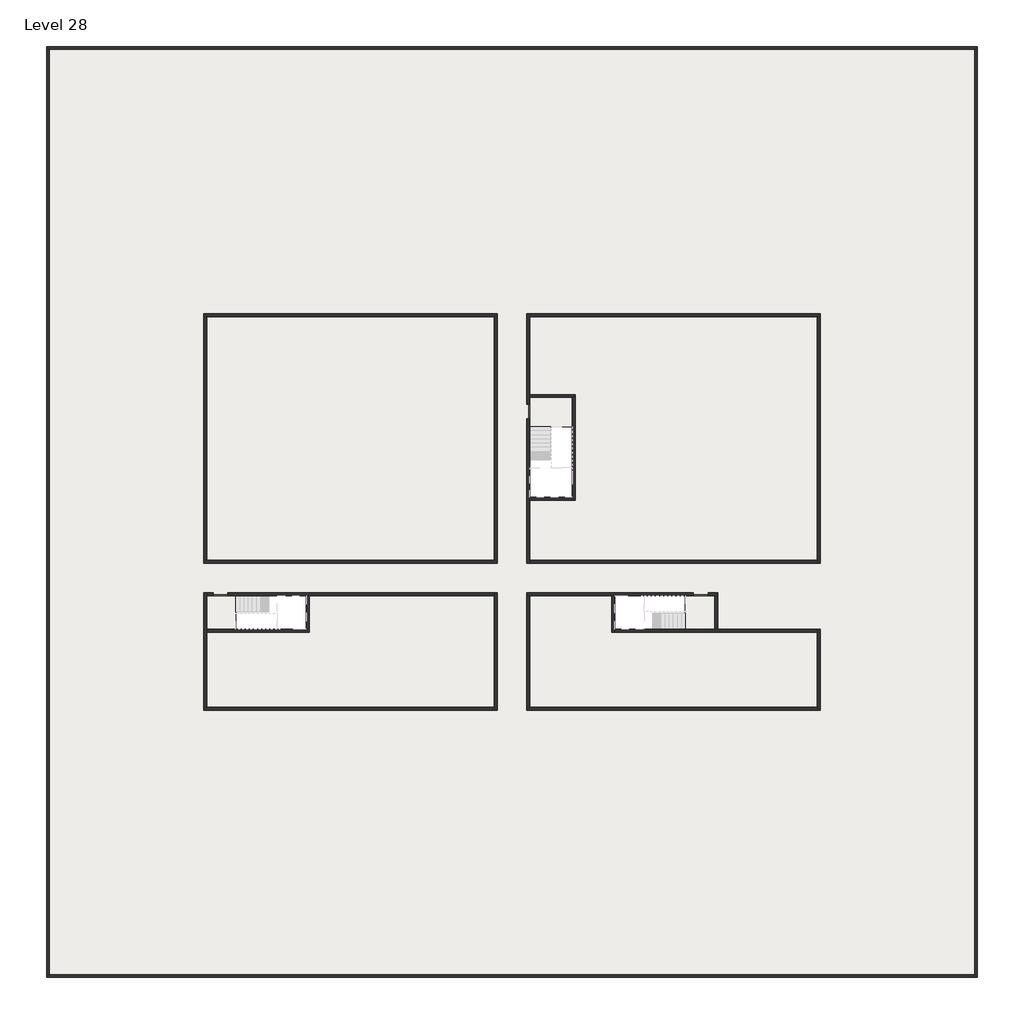
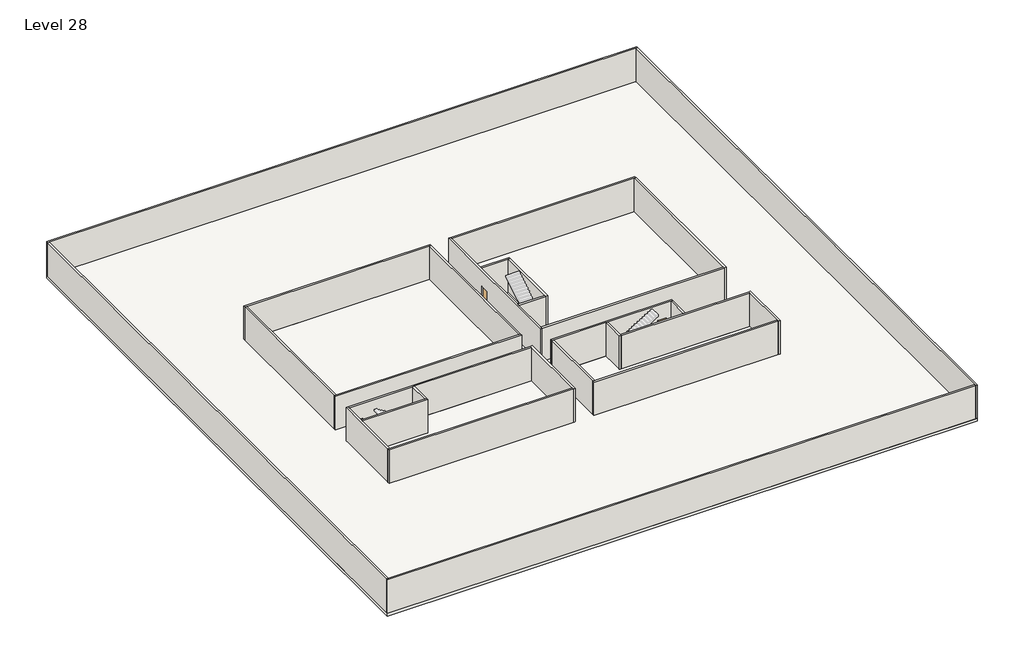
# One storey, part 1 of 2: 28 walls, 3 doors, 3 slabs.
"""IFC4 building model written with IfcOpenShell, lengths in millimetres."""

import ifcopenshell
import ifcopenshell.guid

model = None  # the IFC model being written
_history = None  # IfcOwnerHistory: only IFC2X3 demands one
_inside = {}  # id of a spatial element -> (the spatial element, [elements in it])
_under = {}  # id of a project, library or spatial element -> (it, [spatial elements below it])
_declared = {}  # id of a project -> (the project, [libraries it declares])
_typed = {}  # id of a type object -> (the type object, [elements of that type])
_made_of = {}  # id of a material, layer set ... -> (it, [elements and type objects made of it])


def new_model(schema):
    """Start an empty IFC model of exactly this schema.

    Asked for "IFC4X3", IfcOpenShell would pick the latest addendum, in which some entities
    have other attributes; the version numbers below select the first issue.
    IFC2X3 requires an IfcOwnerHistory on every rooted entity: one is made here for all.
    """
    global model, _history
    if schema == "IFC4X3":
        model = ifcopenshell.file(schema_version=(4, 3, 0, 0))
    else:
        model = ifcopenshell.file(schema=schema)
    _inside.clear()
    _under.clear()
    _declared.clear()
    _typed.clear()
    _made_of.clear()
    _history = None
    if model.schema == "IFC2X3":
        org = make("IfcOrganization", Name="unknown")
        user = make(
            "IfcPersonAndOrganization",
            ThePerson=make("IfcPerson", FamilyName="unknown"),
            TheOrganization=org,
        )
        app = make(
            "IfcApplication",
            ApplicationDeveloper=org,
            Version="unknown",
            ApplicationFullName="unknown",
            ApplicationIdentifier="unknown",
        )
        _history = make(
            "IfcOwnerHistory",
            OwningUser=user,
            OwningApplication=app,
            ChangeAction="ADDED",
            CreationDate=0,
        )
    return model


def make(cls, **values):
    """One entity of the class cls with the attributes given. An attribute that is None is left unset."""
    return model.create_entity(
        cls, **{name: value for name, value in values.items() if value is not None}
    )


def rooted(cls, **values):
    """An entity with a GlobalId (a new one), such as an element, a storey or a relation."""
    return make(cls, GlobalId=ifcopenshell.guid.new(), OwnerHistory=_history, **values)


def si_unit(unit_type, name, prefix=None):
    """IfcSIUnit, for example si_unit("LENGTHUNIT", "METRE", prefix="MILLI")."""
    return make("IfcSIUnit", UnitType=unit_type, Prefix=prefix, Name=name)


def assignment(units):
    """IfcUnitAssignment: the units of a project."""
    return None if units is None else make("IfcUnitAssignment", Units=units)


def point(xyz):
    """IfcCartesianPoint."""
    return None if xyz is None else make("IfcCartesianPoint", Coordinates=xyz)


def direction(xyz):
    """IfcDirection."""
    return None if xyz is None else make("IfcDirection", DirectionRatios=xyz)


def frame(location, z_axis=None, x_axis=None):
    """IfcAxis2Placement3D, a coordinate frame: its origin and axes. An axis left out is left unset."""
    return make(
        "IfcAxis2Placement3D",
        Location=point(location),
        Axis=direction(z_axis),
        RefDirection=direction(x_axis),
    )


def origin():
    """The frame at (0, 0, 0) with its axes left unset."""
    return frame((0.0, 0.0, 0.0))


def origin_with_axes():
    """The frame at (0, 0, 0) with the z axis (0, 0, 1) and the x axis (1, 0, 0) written out."""
    return frame((0.0, 0.0, 0.0), z_axis=(0.0, 0.0, 1.0), x_axis=(1.0, 0.0, 0.0))


def place(relative_to, where):
    """IfcLocalPlacement: puts the frame where relative to a parent placement (None: the world)."""
    return make(
        "IfcLocalPlacement", PlacementRelTo=relative_to, RelativePlacement=where
    )


def context(
    kind, dimensions, precision=None, world=None, true_north=None, identifier=None
):
    """IfcGeometricRepresentationContext, for example the 3D "Model" context."""
    return make(
        "IfcGeometricRepresentationContext",
        ContextIdentifier=identifier,
        ContextType=kind,
        CoordinateSpaceDimension=dimensions,
        Precision=precision,
        WorldCoordinateSystem=world,
        TrueNorth=true_north,
    )


def project(units=None, contexts=None):
    """IfcProject with its units and contexts."""
    return rooted(
        "IfcProject",
        Name="project",
        RepresentationContexts=contexts,
        UnitsInContext=assignment(units),
    )


def spatial(cls, under=None, at=None, **own):
    """A site, building, storey or space (cls), placed at a placement, below another one or the project."""
    s = rooted(cls, ObjectPlacement=at, **own)
    if under is not None:
        _under.setdefault(under.id(), (under, []))[1].append(s)
    return s


def polyline(points):
    """IfcPolyline through the points."""
    return make("IfcPolyline", Points=[point(p) for p in points])


def outline(outer, holes=None, kind="AREA"):
    """IfcArbitraryClosedProfileDef: a profile drawn as a closed curve; with holes, ...WithVoids."""
    if holes is None:
        return make("IfcArbitraryClosedProfileDef", ProfileType=kind, OuterCurve=outer)
    return make(
        "IfcArbitraryProfileDefWithVoids",
        ProfileType=kind,
        OuterCurve=outer,
        InnerCurves=holes,
    )


def extrude(swept, where, along, depth):
    """IfcExtrudedAreaSolid: the profile swept, set in the frame where, extruded along a direction by depth."""
    return make(
        "IfcExtrudedAreaSolid",
        SweptArea=swept,
        Position=where,
        ExtrudedDirection=direction(along),
        Depth=depth,
    )


def faces_of(points, faces, orient=None, outer=None):
    """IfcFace entities. A face is a list of loops; a loop is a list of indices into points, from 0.

    orient and outer hold one flag for each loop. By default every Orientation is true, the
    first loop of a face is its IfcFaceOuterBound and the others are IfcFaceBound.
    """
    made = []
    for i, loops in enumerate(faces):
        bounds = []
        for j, loop in enumerate(loops):
            is_outer = j == 0 if outer is None else outer[i][j]
            bounds.append(
                make(
                    "IfcFaceOuterBound" if is_outer else "IfcFaceBound",
                    Bound=make("IfcPolyLoop", Polygon=[points[k] for k in loop]),
                    Orientation=True if orient is None else orient[i][j],
                )
            )
        made.append(make("IfcFace", Bounds=bounds))
    return made


def faceted_brep(points, faces, orient=None, outer=None, voids=None):
    """IfcFacetedBrep: a solid bounded by flat faces; with voids (closed shells), ...WithVoids."""
    shared = [point(p) for p in points]
    hull = make("IfcClosedShell", CfsFaces=faces_of(shared, faces, orient, outer))
    if voids is None:
        return make("IfcFacetedBrep", Outer=hull)
    return make(
        "IfcFacetedBrepWithVoids",
        Outer=hull,
        Voids=[
            make(cls, CfsFaces=faces_of(shared, fs, o, b)) for cls, fs, o, b in voids
        ],
    )


def shape(context_of_items, identifier, shape_type, items):
    """IfcShapeRepresentation: the items that make up one representation, for example the "Body"."""
    return make(
        "IfcShapeRepresentation",
        ContextOfItems=context_of_items,
        RepresentationIdentifier=identifier,
        RepresentationType=shape_type,
        Items=items,
    )


def source(mapping_origin, context_of_items, identifier, shape_type, items):
    """IfcRepresentationMap: a shape defined once, which mapped items show again and again."""
    return make(
        "IfcRepresentationMap",
        MappingOrigin=mapping_origin,
        MappedRepresentation=shape(context_of_items, identifier, shape_type, items),
    )


def transform(
    local_origin,
    x_axis=None,
    y_axis=None,
    z_axis=None,
    scale=None,
    scale2=None,
    scale3=None,
    uniform=True,
):
    """IfcCartesianTransformationOperator3D, or its non-uniform kind. x_axis, y_axis, z_axis: its Axis1, 2, 3."""
    if uniform:
        return make(
            "IfcCartesianTransformationOperator3D",
            Axis1=direction(x_axis),
            Axis2=direction(y_axis),
            LocalOrigin=point(local_origin),
            Scale=scale,
            Axis3=direction(z_axis),
        )
    return make(
        "IfcCartesianTransformationOperator3DnonUniform",
        Axis1=direction(x_axis),
        Axis2=direction(y_axis),
        LocalOrigin=point(local_origin),
        Scale=scale,
        Axis3=direction(z_axis),
        Scale2=scale2,
        Scale3=scale3,
    )


def mapped(mapping_source, mapping_target):
    """IfcMappedItem: shows the shape of a source again, moved by a transform."""
    return make(
        "IfcMappedItem", MappingSource=mapping_source, MappingTarget=mapping_target
    )


def made_of(thing, what):
    """Note that an element or type object is made of a material, layer set ...; save() writes the relation."""
    if what is not None:
        _made_of.setdefault(what.id(), (what, []))[1].append(thing)
    return thing


def element(
    cls,
    number,
    at=None,
    inside=None,
    cuts=None,
    type_object=None,
    material=None,
    context=None,
    identifier="Body",
    shape_type=None,
    held_by="IfcProductDefinitionShape",
    body=None,
    shapes=None,
    **own,
):
    """One element of the class cls, such as IfcWall. Its Tag is "e" and its number.

    at: its placement. inside: the storey or other place that contains it. cuts: it is an
    opening in that element (IfcRelVoidsElement). A single representation is given by context,
    identifier, shape_type and body (its items); several are given by shapes. held_by: the class
    of the entity that holds the representations. save() writes the other relations.
    """
    e = rooted(cls, Tag="e%d" % number, ObjectPlacement=at, **own)
    if body is not None:
        shapes = [shape(context, identifier, shape_type, body)]
    if shapes is not None:
        e.Representation = make(held_by, Representations=shapes)
    if inside is not None:
        _inside.setdefault(inside.id(), (inside, []))[1].append(e)
    if cuts is not None:
        rooted(
            "IfcRelVoidsElement", RelatingBuildingElement=cuts, RelatedOpeningElement=e
        )
    if type_object is not None:
        _typed.setdefault(type_object.id(), (type_object, []))[1].append(e)
    return made_of(e, material)


def aggregate(whole, parts):
    """IfcRelAggregates: a whole, such as a stair, and the parts it consists of."""
    return rooted("IfcRelAggregates", RelatingObject=whole, RelatedObjects=parts)


def save(model, path):
    """Write the relations noted so far, then the file.

    IfcRelAggregates (storeys below a building ...), IfcRelContainedInSpatialStructure (elements
    in a storey), IfcRelDefinesByType, IfcRelAssociatesMaterial and IfcRelDeclares: one each for
    every whole, place, type object, material and project.
    """
    for whole, parts in _under.values():
        aggregate(whole, parts)
    for where, things in _inside.values():
        rooted(
            "IfcRelContainedInSpatialStructure",
            RelatedElements=things,
            RelatingStructure=where,
        )
    for kind, things in _typed.values():
        rooted("IfcRelDefinesByType", RelatedObjects=things, RelatingType=kind)
    for what, things in _made_of.values():
        rooted("IfcRelAssociatesMaterial", RelatedObjects=things, RelatingMaterial=what)
    for by, libraries in _declared.values():
        rooted("IfcRelDeclares", RelatingContext=by, RelatedDefinitions=libraries)
    model.write(path)


def door_fb3c37fd(model_context):
    return source(origin(), model_context, "Body", "SweptSolid", [
        extrude(outline(polyline([(500.0, 49.0), (-500.0, 49.0), (-500.0, 100.0), (500.0, 100.0), (500.0, 49.0)])), origin_with_axes(), (0.0, 0.0, 1.0), 2100.0),
    ])


def door_0317a72c(model_context):
    return source(origin(), model_context, "Body", "SweptSolid", [
        extrude(outline(polyline([(500.0, -49.0), (500.0, -100.0), (-500.0, -100.0), (-500.0, -49.0), (500.0, -49.0)])), origin_with_axes(), (0.0, 0.0, 1.0), 2100.0),
    ])


model = new_model("IFC4")

# Units and contexts
model_context = context("Model", 3, world=origin())
ifc_project = project(units=[si_unit("LENGTHUNIT", "METRE", prefix="MILLI")], contexts=[model_context])

# Site, building, storey
site = spatial("IfcSite", under=ifc_project)
building = spatial("IfcBuilding", under=site)
storey = spatial("IfcBuildingStorey", under=building, Name="Level 28", Elevation=102600.0)

# Doors
placement = place(None, origin())
door_shape = door_fb3c37fd(model_context)
element("IfcDoor", 1, at=placement, inside=storey, context=model_context, shape_type="MappedRepresentation", body=[
    mapped(door_shape, transform((4340.1058784, -42818.09644, 102600.0), x_axis=(-1.0, 0.0, 0.0), y_axis=(0.0, -1.0, 0.0), z_axis=(0.0, 0.0, 1.0))),
])
door_2_shape = door_0317a72c(model_context)
element("IfcDoor", 2, at=placement, inside=storey, context=model_context, shape_type="MappedRepresentation", body=[
    mapped(door_2_shape, transform((25290.1058784, -30368.09644, 102600.0), x_axis=(0.0, 1.0, 0.0), y_axis=(-1.0, 0.0, 0.0), z_axis=(0.0, 0.0, 1.0))),
])
element("IfcDoor", 3, at=placement, inside=storey, context=model_context, shape_type="MappedRepresentation", body=[
    mapped(door_2_shape, transform((37040.1058784, -42818.09644, 102600.0), x_axis=(1.0, 0.0, 0.0), y_axis=(0.0, 1.0, 0.0), z_axis=(0.0, 0.0, 1.0))),
])

# Slabs
element("IfcSlab", 4, at=placement, inside=storey, context=model_context, shape_type="SweptSolid", body=[
    extrude(outline(polyline([(55890.1058784, -5518.09644), (55890.1058784, -68918.09644), (-7509.8941216, -68918.09644), (-7509.8941216, -5518.09644), (55890.1058784, -5518.09644)]), holes=[polyline([(22990.1058784, -23918.09644), (3390.1058784, -23918.09644), (3390.1058784, -40518.09644), (22990.1058784, -40518.09644), (22990.1058784, -23918.09644)]), polyline([(44990.1058784, -23918.09644), (25390.1058784, -23918.09644), (25390.1058784, -40518.09644), (44990.1058784, -40518.09644), (44990.1058784, -23918.09644)]), polyline([(37990.1058784, -42918.09644), (25390.1058784, -42918.09644), (25390.1058784, -50518.09644), (44990.1058784, -50518.09644), (44990.1058784, -45418.09644), (37990.1058784, -45418.09644), (37990.1058784, -42918.09644)]), polyline([(22990.1058784, -42918.09644), (3390.1058784, -42918.09644), (3390.1058784, -50518.09644), (22990.1058784, -50518.09644), (22990.1058784, -42918.09644)])]), frame((0.0, 0.0, 102300.0), z_axis=(0.0, 0.0, 1.0), x_axis=(1.0, 0.0, 0.0)), (0.0, 0.0, 1.0), 300.0),
])
element("IfcSlab", 5, at=placement, inside=storey, context=model_context, shape_type="SweptSolid", body=[
    extrude(outline(polyline([(22990.1058784, -23918.09644), (22990.1058784, -40518.09644), (3390.1058784, -40518.09644), (3390.1058784, -23918.09644), (22990.1058784, -23918.09644)])), frame((0.0, 0.0, 102300.0), z_axis=(0.0, 0.0, 1.0), x_axis=(1.0, 0.0, 0.0)), (0.0, 0.0, 1.0), 300.0),
    extrude(outline(polyline([(44990.1058784, -23918.09644), (44990.1058784, -40518.09644), (25390.1058784, -40518.09644), (25390.1058784, -36418.09644), (28490.1058784, -36418.09644), (28490.1058784, -29218.09644), (25390.1058784, -29218.09644), (25390.1058784, -23918.09644), (44990.1058784, -23918.09644)])), frame((0.0, 0.0, 102300.0), z_axis=(0.0, 0.0, 1.0), x_axis=(1.0, 0.0, 0.0)), (0.0, 0.0, 1.0), 300.0),
    extrude(outline(polyline([(22990.1058784, -42918.09644), (22990.1058784, -50518.09644), (3390.1058784, -50518.09644), (3390.1058784, -45418.09644), (10390.1058784, -45418.09644), (10390.1058784, -42918.09644), (22990.1058784, -42918.09644)])), frame((0.0, 0.0, 102300.0), z_axis=(0.0, 0.0, 1.0), x_axis=(1.0, 0.0, 0.0)), (0.0, 0.0, 1.0), 300.0),
    extrude(outline(polyline([(30990.1058784, -42918.09644), (30990.1058784, -45418.09644), (44990.1058784, -45418.09644), (44990.1058784, -50518.09644), (25390.1058784, -50518.09644), (25390.1058784, -42918.09644), (30990.1058784, -42918.09644)])), frame((0.0, 0.0, 102300.0), z_axis=(0.0, 0.0, 1.0), x_axis=(1.0, 0.0, 0.0)), (0.0, 0.0, 1.0), 300.0),
])
element("IfcSlab", 6, at=placement, inside=storey, context=model_context, shape_type="SweptSolid", body=[
    extrude(outline(polyline([(5390.1058784, -42918.09644), (5390.1058784, -45218.09644), (3390.1058784, -45218.09644), (3390.1058784, -42918.09644), (5390.1058784, -42918.09644)])), frame((0.0, 0.0, 102300.0), z_axis=(0.0, 0.0, 1.0), x_axis=(1.0, 0.0, 0.0)), (0.0, 0.0, 1.0), 300.0),
    extrude(outline(polyline([(28290.1058784, -29418.09644), (28290.1058784, -31418.09644), (25390.1058784, -31418.09644), (25390.1058784, -29418.09644), (28290.1058784, -29418.09644)])), frame((0.0, 0.0, 102300.0), z_axis=(0.0, 0.0, 1.0), x_axis=(1.0, 0.0, 0.0)), (0.0, 0.0, 1.0), 300.0),
    extrude(outline(polyline([(37990.1058784, -42918.09644), (37990.1058784, -45218.09644), (35990.1058784, -45218.09644), (35990.1058784, -42918.09644), (37990.1058784, -42918.09644)])), frame((0.0, 0.0, 102300.0), z_axis=(0.0, 0.0, 1.0), x_axis=(1.0, 0.0, 0.0)), (0.0, 0.0, 1.0), 300.0),
])

# Walls
element("IfcWall", 7, at=placement, inside=storey, context=model_context, shape_type="Brep", body=[
    faceted_brep([(-7509.8941216, -5718.09644, 102600.0), (-7309.8941216, -5718.09644, 102600.0), (55690.1058784, -5718.09644, 102600.0), (55890.1058784, -5718.09644, 102600.0), (55890.1058784, -5718.09644, 106400.0), (55690.1058784, -5718.09644, 106400.0), (-7309.8941216, -5718.09644, 106400.0), (-7509.8941216, -5718.09644, 106400.0), (-7509.8941216, -5518.09644, 102600.0), (-7509.8941216, -5518.09644, 106400.0), (55890.1058784, -5518.09644, 106400.0), (55890.1058784, -5518.09644, 102600.0)], [[[0, 1, 2, 3, 4, 5, 6, 7]], [[8, 9, 10, 11]], [[3, 2, 1, 0, 8, 11]], [[7, 6, 5, 4, 10, 9]], [[4, 3, 11, 10]], [[0, 7, 9, 8]]]),
])
element("IfcWall", 8, at=placement, inside=storey, context=model_context, shape_type="Brep", body=[
    faceted_brep([(55690.1058784, -5718.09644, 102600.0), (55690.1058784, -68718.09644, 102600.0), (55690.1058784, -68918.09644, 102600.0), (55690.1058784, -68918.09644, 106400.0), (55690.1058784, -68718.09644, 106400.0), (55690.1058784, -5718.09644, 106400.0), (55890.1058784, -5718.09644, 102600.0), (55890.1058784, -5718.09644, 106400.0), (55890.1058784, -68918.09644, 106400.0), (55890.1058784, -68918.09644, 102600.0)], [[[0, 1, 2, 3, 4, 5]], [[6, 7, 8, 9]], [[2, 1, 0, 6, 9]], [[5, 4, 3, 8, 7]], [[0, 5, 7, 6]], [[3, 2, 9, 8]]]),
])
element("IfcWall", 9, at=placement, inside=storey, context=model_context, shape_type="Brep", body=[
    faceted_brep([(55690.1058784, -68718.09644, 102600.0), (-7309.8941216, -68718.09644, 102600.0), (-7509.8941216, -68718.09644, 102600.0), (-7509.8941216, -68718.09644, 106400.0), (-7309.8941216, -68718.09644, 106400.0), (55690.1058784, -68718.09644, 106400.0), (55690.1058784, -68918.09644, 102600.0), (55690.1058784, -68918.09644, 106400.0), (-7509.8941216, -68918.09644, 106400.0), (-7509.8941216, -68918.09644, 102600.0)], [[[0, 1, 2, 3, 4, 5]], [[6, 7, 8, 9]], [[2, 1, 0, 6, 9]], [[5, 4, 3, 8, 7]], [[0, 5, 7, 6]], [[3, 2, 9, 8]]]),
])
element("IfcWall", 10, at=placement, inside=storey, context=model_context, shape_type="SweptSolid", body=[
    extrude(outline(polyline([(-7309.8941216, -5718.09644), (-7309.8941216, -68718.09644), (-7509.8941216, -68718.09644), (-7509.8941216, -5718.09644), (-7309.8941216, -5718.09644)])), frame((0.0, 0.0, 102600.0), z_axis=(0.0, 0.0, 1.0), x_axis=(1.0, 0.0, 0.0)), (0.0, 0.0, 1.0), 3800.0),
])
element("IfcWall", 11, at=placement, inside=storey, context=model_context, shape_type="Brep", body=[
    faceted_brep([(3190.1058784, -23918.09644, 102600.0), (3390.1058784, -23918.09644, 102600.0), (22990.1058784, -23918.09644, 102600.0), (23190.1058784, -23918.09644, 102600.0), (23190.1058784, -23918.09644, 106400.0), (22990.1058784, -23918.09644, 106400.0), (3390.1058784, -23918.09644, 106400.0), (3190.1058784, -23918.09644, 106400.0), (3190.1058784, -23718.09644, 102600.0), (3190.1058784, -23718.09644, 106400.0), (23190.1058784, -23718.09644, 106400.0), (23190.1058784, -23718.09644, 102600.0)], [[[0, 1, 2, 3, 4, 5, 6, 7]], [[8, 9, 10, 11]], [[3, 2, 1, 0, 8, 11]], [[7, 6, 5, 4, 10, 9]], [[0, 7, 9, 8]], [[4, 3, 11, 10]]]),
])
element("IfcWall", 12, at=placement, inside=storey, context=model_context, shape_type="Brep", body=[
    faceted_brep([(44990.1058784, -23918.09644, 102600.0), (44990.1058784, -40518.09644, 102600.0), (44990.1058784, -40718.09644, 102600.0), (44990.1058784, -40718.09644, 106400.0), (44990.1058784, -40518.09644, 106400.0), (44990.1058784, -23918.09644, 106400.0), (45190.1058784, -23918.09644, 102600.0), (45190.1058784, -23918.09644, 106400.0), (45190.1058784, -40718.09644, 106400.0), (45190.1058784, -40718.09644, 102600.0)], [[[0, 1, 2, 3, 4, 5]], [[6, 7, 8, 9]], [[2, 1, 0, 6, 9]], [[5, 4, 3, 8, 7]], [[0, 5, 7, 6]], [[3, 2, 9, 8]]]),
])
element("IfcWall", 13, at=placement, inside=storey, context=model_context, shape_type="Brep", body=[
    faceted_brep([(44990.1058784, -50518.09644, 102600.0), (25390.1058784, -50518.09644, 102600.0), (25190.1058784, -50518.09644, 102600.0), (25190.1058784, -50518.09644, 106400.0), (25390.1058784, -50518.09644, 106400.0), (44990.1058784, -50518.09644, 106400.0), (44990.1058784, -50718.09644, 102600.0), (44990.1058784, -50718.09644, 106400.0), (25190.1058784, -50718.09644, 106400.0), (25190.1058784, -50718.09644, 102600.0)], [[[0, 1, 2, 3, 4, 5]], [[6, 7, 8, 9]], [[2, 1, 0, 6, 9]], [[5, 4, 3, 8, 7]], [[0, 5, 7, 6]], [[3, 2, 9, 8]]]),
])
element("IfcWall", 14, at=placement, inside=storey, context=model_context, shape_type="Brep", body=[
    faceted_brep([(3390.1058784, -50518.09644, 102600.0), (3390.1058784, -45418.09644, 102600.0), (3390.1058784, -45218.09644, 102600.0), (3390.1058784, -42918.09644, 102600.0), (3390.1058784, -42718.09644, 102600.0), (3390.1058784, -42718.09644, 106400.0), (3390.1058784, -42918.09644, 106400.0), (3390.1058784, -45218.09644, 106400.0), (3390.1058784, -45418.09644, 106400.0), (3390.1058784, -50518.09644, 106400.0), (3190.1058784, -50518.09644, 102600.0), (3190.1058784, -50518.09644, 106400.0), (3190.1058784, -42718.09644, 106400.0), (3190.1058784, -42718.09644, 102600.0)], [[[0, 1, 2, 3, 4, 5, 6, 7, 8, 9]], [[10, 11, 12, 13]], [[4, 3, 2, 1, 0, 10, 13]], [[9, 8, 7, 6, 5, 12, 11]], [[0, 9, 11, 10]], [[5, 4, 13, 12]]]),
])
element("IfcWall", 15, at=placement, inside=storey, context=model_context, shape_type="SweptSolid", body=[
    extrude(outline(polyline([(22990.1058784, -40518.09644), (22990.1058784, -23918.09644), (23190.1058784, -23918.09644), (23190.1058784, -40518.09644), (22990.1058784, -40518.09644)])), frame((0.0, 0.0, 102600.0), z_axis=(0.0, 0.0, 1.0), x_axis=(1.0, 0.0, 0.0)), (0.0, 0.0, 1.0), 3800.0),
])
element("IfcWall", 16, at=placement, inside=storey, context=model_context, shape_type="Brep", body=[
    faceted_brep([(23190.1058784, -40518.09644, 102600.0), (22990.1058784, -40518.09644, 102600.0), (3390.1058784, -40518.09644, 102600.0), (3190.1058784, -40518.09644, 102600.0), (3190.1058784, -40518.09644, 106400.0), (3390.1058784, -40518.09644, 106400.0), (22990.1058784, -40518.09644, 106400.0), (23190.1058784, -40518.09644, 106400.0), (23190.1058784, -40718.09644, 102600.0), (23190.1058784, -40718.09644, 106400.0), (3190.1058784, -40718.09644, 106400.0), (3190.1058784, -40718.09644, 102600.0)], [[[0, 1, 2, 3, 4, 5, 6, 7]], [[8, 9, 10, 11]], [[3, 2, 1, 0, 8, 11]], [[7, 6, 5, 4, 10, 9]], [[4, 3, 11, 10]], [[0, 7, 9, 8]]]),
])
element("IfcWall", 17, at=placement, inside=storey, context=model_context, shape_type="Brep", body=[
    faceted_brep([(3390.1058784, -42918.09644, 102600.0), (3840.1058784, -42918.09644, 102600.0), (3840.1058784, -42918.09644, 104700.0), (4840.1058784, -42918.09644, 104700.0), (4840.1058784, -42918.09644, 102600.0), (10190.1058784, -42918.09644, 102600.0), (10390.1058784, -42918.09644, 102600.0), (22990.1058784, -42918.09644, 102600.0), (22990.1058784, -42918.09644, 106400.0), (10390.1058784, -42918.09644, 106400.0), (10190.1058784, -42918.09644, 106400.0), (3390.1058784, -42918.09644, 106400.0), (3840.1058784, -42718.09644, 104700.0), (3840.1058784, -42718.09644, 102600.0), (3390.1058784, -42718.09644, 102600.0), (3390.1058784, -42718.09644, 106400.0), (22990.1058784, -42718.09644, 106400.0), (22990.1058784, -42718.09644, 102600.0), (4840.1058784, -42718.09644, 102600.0), (4840.1058784, -42718.09644, 104700.0)], [[[0, 1, 2, 3, 4, 5, 6, 7, 8, 9, 10, 11]], [[12, 13, 14, 15, 16, 17, 18, 19]], [[18, 17, 7, 6, 5, 4]], [[14, 13, 1, 0]], [[11, 10, 9, 8, 16, 15]], [[0, 11, 15, 14]], [[8, 7, 17, 16]], [[2, 1, 13, 12]], [[3, 2, 12, 19]], [[4, 3, 19, 18]]]),
])
element("IfcWall", 18, at=placement, inside=storey, context=model_context, shape_type="SweptSolid", body=[
    extrude(outline(polyline([(25390.1058784, -40518.09644), (44990.1058784, -40518.09644), (44990.1058784, -40718.09644), (25390.1058784, -40718.09644), (25390.1058784, -40518.09644)])), frame((0.0, 0.0, 102600.0), z_axis=(0.0, 0.0, 1.0), x_axis=(1.0, 0.0, 0.0)), (0.0, 0.0, 1.0), 3800.0),
])
element("IfcWall", 19, at=placement, inside=storey, context=model_context, shape_type="Brep", body=[
    faceted_brep([(25390.1058784, -29868.09644, 104700.0), (25390.1058784, -29868.09644, 102600.0), (25390.1058784, -29418.09644, 102600.0), (25390.1058784, -29218.09644, 102600.0), (25390.1058784, -23918.09644, 102600.0), (25390.1058784, -23718.09644, 102600.0), (25390.1058784, -23718.09644, 106400.0), (25390.1058784, -23918.09644, 106400.0), (25390.1058784, -29218.09644, 106400.0), (25390.1058784, -29418.09644, 106400.0), (25390.1058784, -36218.09644, 106400.0), (25390.1058784, -36418.09644, 106400.0), (25390.1058784, -40518.09644, 106400.0), (25390.1058784, -40718.09644, 106400.0), (25390.1058784, -40718.09644, 102600.0), (25390.1058784, -40518.09644, 102600.0), (25390.1058784, -36418.09644, 102600.0), (25390.1058784, -36218.09644, 102600.0), (25390.1058784, -30868.09644, 102600.0), (25390.1058784, -30868.09644, 104700.0), (25190.1058784, -23718.09644, 102600.0), (25190.1058784, -29868.09644, 102600.0), (25190.1058784, -29868.09644, 104700.0), (25190.1058784, -30868.09644, 104700.0), (25190.1058784, -30868.09644, 102600.0), (25190.1058784, -40718.09644, 102600.0), (25190.1058784, -40718.09644, 106400.0), (25190.1058784, -23718.09644, 106400.0)], [[[0, 1, 2, 3, 4, 5, 6, 7, 8, 9, 10, 11, 12, 13, 14, 15, 16, 17, 18, 19]], [[20, 21, 22, 23, 24, 25, 26, 27]], [[5, 4, 3, 2, 1, 21, 20]], [[18, 17, 16, 15, 14, 25, 24]], [[13, 12, 11, 10, 9, 8, 7, 6, 27, 26]], [[14, 13, 26, 25]], [[6, 5, 20, 27]], [[22, 21, 1, 0]], [[23, 22, 0, 19]], [[24, 23, 19, 18]]]),
])
element("IfcWall", 20, at=placement, inside=storey, context=model_context, shape_type="SweptSolid", body=[
    extrude(outline(polyline([(3390.1058784, -23918.09644), (3390.1058784, -40518.09644), (3190.1058784, -40518.09644), (3190.1058784, -23918.09644), (3390.1058784, -23918.09644)])), frame((0.0, 0.0, 102600.0), z_axis=(0.0, 0.0, 1.0), x_axis=(1.0, 0.0, 0.0)), (0.0, 0.0, 1.0), 3800.0),
])
element("IfcWall", 21, at=placement, inside=storey, context=model_context, shape_type="Brep", body=[
    faceted_brep([(25390.1058784, -23918.09644, 102600.0), (44990.1058784, -23918.09644, 102600.0), (45190.1058784, -23918.09644, 102600.0), (45190.1058784, -23918.09644, 106400.0), (44990.1058784, -23918.09644, 106400.0), (25390.1058784, -23918.09644, 106400.0), (25390.1058784, -23718.09644, 102600.0), (25390.1058784, -23718.09644, 106400.0), (45190.1058784, -23718.09644, 106400.0), (45190.1058784, -23718.09644, 102600.0)], [[[0, 1, 2, 3, 4, 5]], [[6, 7, 8, 9]], [[2, 1, 0, 6, 9]], [[5, 4, 3, 8, 7]], [[3, 2, 9, 8]], [[0, 5, 7, 6]]]),
])
element("IfcWall", 22, at=placement, inside=storey, context=model_context, shape_type="Brep", body=[
    faceted_brep([(44990.1058784, -45218.09644, 102600.0), (44990.1058784, -45418.09644, 102600.0), (44990.1058784, -50518.09644, 102600.0), (44990.1058784, -50718.09644, 102600.0), (44990.1058784, -50718.09644, 106400.0), (44990.1058784, -50518.09644, 106400.0), (44990.1058784, -45418.09644, 106400.0), (44990.1058784, -45218.09644, 106400.0), (45190.1058784, -45218.09644, 102600.0), (45190.1058784, -45218.09644, 106400.0), (45190.1058784, -50718.09644, 106400.0), (45190.1058784, -50718.09644, 102600.0)], [[[0, 1, 2, 3, 4, 5, 6, 7]], [[8, 9, 10, 11]], [[3, 2, 1, 0, 8, 11]], [[7, 6, 5, 4, 10, 9]], [[4, 3, 11, 10]], [[0, 7, 9, 8]]]),
])
element("IfcWall", 23, at=placement, inside=storey, context=model_context, shape_type="Brep", body=[
    faceted_brep([(25390.1058784, -29418.09644, 102600.0), (28290.1058784, -29418.09644, 102600.0), (28490.1058784, -29418.09644, 102600.0), (28490.1058784, -29418.09644, 106400.0), (28290.1058784, -29418.09644, 106400.0), (25390.1058784, -29418.09644, 106400.0), (25390.1058784, -29218.09644, 102600.0), (25390.1058784, -29218.09644, 106400.0), (28490.1058784, -29218.09644, 106400.0), (28490.1058784, -29218.09644, 102600.0)], [[[0, 1, 2, 3, 4, 5]], [[6, 7, 8, 9]], [[2, 1, 0, 6, 9]], [[5, 4, 3, 8, 7]], [[3, 2, 9, 8]], [[0, 5, 7, 6]]]),
])
element("IfcWall", 24, at=placement, inside=storey, context=model_context, shape_type="Brep", body=[
    faceted_brep([(28290.1058784, -29418.09644, 102600.0), (28290.1058784, -36218.09644, 102600.0), (28290.1058784, -36418.09644, 102600.0), (28290.1058784, -36418.09644, 106400.0), (28290.1058784, -36218.09644, 106400.0), (28290.1058784, -29418.09644, 106400.0), (28490.1058784, -29418.09644, 102600.0), (28490.1058784, -29418.09644, 106400.0), (28490.1058784, -36418.09644, 106400.0), (28490.1058784, -36418.09644, 102600.0)], [[[0, 1, 2, 3, 4, 5]], [[6, 7, 8, 9]], [[2, 1, 0, 6, 9]], [[5, 4, 3, 8, 7]], [[3, 2, 9, 8]], [[0, 5, 7, 6]]]),
])
element("IfcWall", 25, at=placement, inside=storey, context=model_context, shape_type="SweptSolid", body=[
    extrude(outline(polyline([(25390.1058784, -36218.09644), (28290.1058784, -36218.09644), (28290.1058784, -36418.09644), (25390.1058784, -36418.09644), (25390.1058784, -36218.09644)])), frame((0.0, 0.0, 102600.0), z_axis=(0.0, 0.0, 1.0), x_axis=(1.0, 0.0, 0.0)), (0.0, 0.0, 1.0), 3800.0),
])
element("IfcWall", 26, at=placement, inside=storey, context=model_context, shape_type="Brep", body=[
    faceted_brep([(3390.1058784, -45418.09644, 102600.0), (10390.1058784, -45418.09644, 102600.0), (10390.1058784, -45418.09644, 106400.0), (3390.1058784, -45418.09644, 106400.0), (3390.1058784, -45218.09644, 102600.0), (3390.1058784, -45218.09644, 106400.0), (10190.1058784, -45218.09644, 106400.0), (10390.1058784, -45218.09644, 106400.0), (10390.1058784, -45218.09644, 102600.0), (10190.1058784, -45218.09644, 102600.0)], [[[0, 1, 2, 3]], [[4, 5, 6, 7, 8, 9]], [[1, 0, 4, 9, 8]], [[3, 2, 7, 6, 5]], [[2, 1, 8, 7]], [[0, 3, 5, 4]]]),
])
element("IfcWall", 27, at=placement, inside=storey, context=model_context, shape_type="SweptSolid", body=[
    extrude(outline(polyline([(10390.1058784, -42918.09644), (10390.1058784, -45218.09644), (10190.1058784, -45218.09644), (10190.1058784, -42918.09644), (10390.1058784, -42918.09644)])), frame((0.0, 0.0, 102600.0), z_axis=(0.0, 0.0, 1.0), x_axis=(1.0, 0.0, 0.0)), (0.0, 0.0, 1.0), 3800.0),
])
element("IfcWall", 28, at=placement, inside=storey, context=model_context, shape_type="Brep", body=[
    faceted_brep([(30990.1058784, -42918.09644, 102600.0), (30990.1058784, -45418.09644, 102600.0), (30990.1058784, -45418.09644, 106400.0), (30990.1058784, -42918.09644, 106400.0), (31190.1058784, -42918.09644, 102600.0), (31190.1058784, -42918.09644, 106400.0), (31190.1058784, -45218.09644, 106400.0), (31190.1058784, -45418.09644, 106400.0), (31190.1058784, -45418.09644, 102600.0), (31190.1058784, -45218.09644, 102600.0)], [[[0, 1, 2, 3]], [[4, 5, 6, 7, 8, 9]], [[1, 0, 4, 9, 8]], [[3, 2, 7, 6, 5]], [[2, 1, 8, 7]], [[0, 3, 5, 4]]]),
])
element("IfcWall", 29, at=placement, inside=storey, context=model_context, shape_type="Brep", body=[
    faceted_brep([(31190.1058784, -45418.09644, 102600.0), (44990.1058784, -45418.09644, 102600.0), (44990.1058784, -45418.09644, 106400.0), (31190.1058784, -45418.09644, 106400.0), (31190.1058784, -45218.09644, 102600.0), (31190.1058784, -45218.09644, 106400.0), (37990.1058784, -45218.09644, 106400.0), (38190.1058784, -45218.09644, 106400.0), (44990.1058784, -45218.09644, 106400.0), (44990.1058784, -45218.09644, 102600.0), (38190.1058784, -45218.09644, 102600.0), (37990.1058784, -45218.09644, 102600.0)], [[[0, 1, 2, 3]], [[4, 5, 6, 7, 8, 9, 10, 11]], [[1, 0, 4, 11, 10, 9]], [[3, 2, 8, 7, 6, 5]], [[0, 3, 5, 4]], [[2, 1, 9, 8]]]),
])
element("IfcWall", 30, at=placement, inside=storey, context=model_context, shape_type="SweptSolid", body=[
    extrude(outline(polyline([(25190.1058784, -50518.09644), (25190.1058784, -42918.09644), (25390.1058784, -42918.09644), (25390.1058784, -50518.09644), (25190.1058784, -50518.09644)])), frame((0.0, 0.0, 102600.0), z_axis=(0.0, 0.0, 1.0), x_axis=(1.0, 0.0, 0.0)), (0.0, 0.0, 1.0), 3800.0),
])
element("IfcWall", 31, at=placement, inside=storey, context=model_context, shape_type="Brep", body=[
    faceted_brep([(22990.1058784, -42718.09644, 102600.0), (22990.1058784, -42918.09644, 102600.0), (22990.1058784, -50518.09644, 102600.0), (22990.1058784, -50718.09644, 102600.0), (22990.1058784, -50718.09644, 106400.0), (22990.1058784, -50518.09644, 106400.0), (22990.1058784, -42918.09644, 106400.0), (22990.1058784, -42718.09644, 106400.0), (23190.1058784, -42718.09644, 102600.0), (23190.1058784, -42718.09644, 106400.0), (23190.1058784, -50718.09644, 106400.0), (23190.1058784, -50718.09644, 102600.0)], [[[0, 1, 2, 3, 4, 5, 6, 7]], [[8, 9, 10, 11]], [[3, 2, 1, 0, 8, 11]], [[7, 6, 5, 4, 10, 9]], [[4, 3, 11, 10]], [[0, 7, 9, 8]]]),
])
element("IfcWall", 32, at=placement, inside=storey, context=model_context, shape_type="Brep", body=[
    faceted_brep([(37540.1058784, -42918.09644, 104700.0), (37540.1058784, -42918.09644, 102600.0), (37990.1058784, -42918.09644, 102600.0), (38190.1058784, -42918.09644, 102600.0), (38190.1058784, -42918.09644, 106400.0), (37990.1058784, -42918.09644, 106400.0), (31190.1058784, -42918.09644, 106400.0), (30990.1058784, -42918.09644, 106400.0), (25390.1058784, -42918.09644, 106400.0), (25190.1058784, -42918.09644, 106400.0), (25190.1058784, -42918.09644, 102600.0), (25390.1058784, -42918.09644, 102600.0), (30990.1058784, -42918.09644, 102600.0), (31190.1058784, -42918.09644, 102600.0), (36540.1058784, -42918.09644, 102600.0), (36540.1058784, -42918.09644, 104700.0), (38190.1058784, -42718.09644, 102600.0), (37540.1058784, -42718.09644, 102600.0), (37540.1058784, -42718.09644, 104700.0), (36540.1058784, -42718.09644, 104700.0), (36540.1058784, -42718.09644, 102600.0), (25190.1058784, -42718.09644, 102600.0), (25190.1058784, -42718.09644, 106400.0), (38190.1058784, -42718.09644, 106400.0)], [[[0, 1, 2, 3, 4, 5, 6, 7, 8, 9, 10, 11, 12, 13, 14, 15]], [[16, 17, 18, 19, 20, 21, 22, 23]], [[3, 2, 1, 17, 16]], [[14, 13, 12, 11, 10, 21, 20]], [[9, 8, 7, 6, 5, 4, 23, 22]], [[10, 9, 22, 21]], [[4, 3, 16, 23]], [[18, 17, 1, 0]], [[19, 18, 0, 15]], [[20, 19, 15, 14]]]),
])
element("IfcWall", 33, at=placement, inside=storey, context=model_context, shape_type="Brep", body=[
    faceted_brep([(22990.1058784, -50518.09644, 102600.0), (3390.1058784, -50518.09644, 102600.0), (3190.1058784, -50518.09644, 102600.0), (3190.1058784, -50518.09644, 106400.0), (3390.1058784, -50518.09644, 106400.0), (22990.1058784, -50518.09644, 106400.0), (22990.1058784, -50718.09644, 102600.0), (22990.1058784, -50718.09644, 106400.0), (3190.1058784, -50718.09644, 106400.0), (3190.1058784, -50718.09644, 102600.0)], [[[0, 1, 2, 3, 4, 5]], [[6, 7, 8, 9]], [[2, 1, 0, 6, 9]], [[5, 4, 3, 8, 7]], [[3, 2, 9, 8]], [[0, 5, 7, 6]]]),
])
element("IfcWall", 34, at=placement, inside=storey, context=model_context, shape_type="SweptSolid", body=[
    extrude(outline(polyline([(37990.1058784, -45218.09644), (37990.1058784, -42918.09644), (38190.1058784, -42918.09644), (38190.1058784, -45218.09644), (37990.1058784, -45218.09644)])), frame((0.0, 0.0, 102600.0), z_axis=(0.0, 0.0, 1.0), x_axis=(1.0, 0.0, 0.0)), (0.0, 0.0, 1.0), 3800.0),
])

save(model, "model.ifc")
